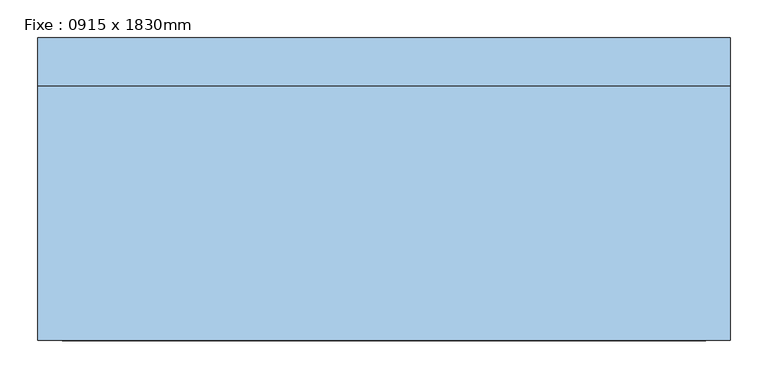
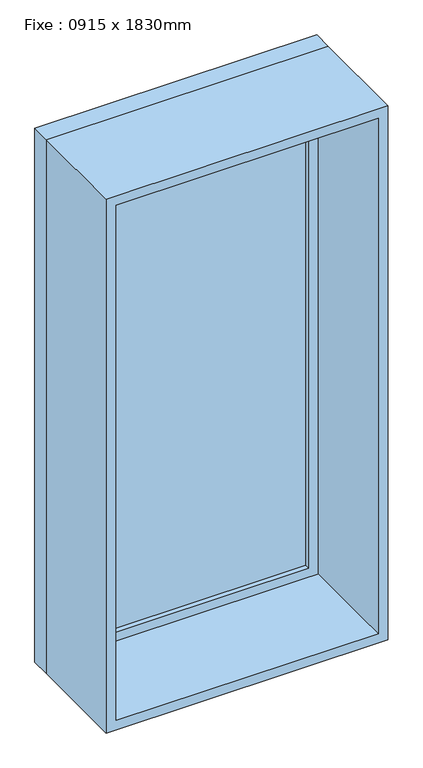
"""IFC4 building model written with IfcOpenShell, lengths in millimetres: window geometry, Fixe : 0915 x 1830mm."""

from ifc_helpers import new_model, si_unit, frame, origin, place, context, project, spatial, polyline, outline, extrude, source, transform, mapped, element, save


def fixe_0915_x_1830mm_45c8cfe9(model_context):
    return source(origin(), model_context, "Body", "SweptSolid", [
        extrude(outline(polyline([(-394.5, 178.0), (394.5, 178.0), (394.5, 166.0), (-394.5, 166.0), (-394.5, 178.0)])), frame((0.0, 0.0, 368.0), z_axis=(0.0, 0.0, 1.0), x_axis=(1.0, 0.0, 0.0)), (0.0, 0.0, 1.0), 1704.0),
        extrude(outline(polyline([(2116.0, -438.5), (324.0, -438.5), (324.0, 438.5), (2116.0, 438.5), (2116.0, -438.5)]), holes=[polyline([(2072.0, -394.5), (2072.0, 394.5), (368.0, 394.5), (368.0, -394.5), (2072.0, -394.5)])]), frame((0.0, 150.0, 0.0), z_axis=(0.0, 1.0, 0.0), x_axis=(0.0, 0.0, 1.0)), (0.0, 0.0, 1.0), 44.0),
        extrude(outline(polyline([(2135.0, -457.5), (305.0, -457.5), (305.0, 457.5), (2135.0, 457.5), (2135.0, -457.5)]), holes=[polyline([(2116.0, -438.5), (2116.0, 438.5), (324.0, 438.5), (324.0, -438.5), (2116.0, -438.5)])]), frame((0.0, 150.0, 0.0), z_axis=(0.0, 1.0, 0.0), x_axis=(0.0, 0.0, 1.0)), (0.0, 0.0, 1.0), 63.0),
        extrude(outline(polyline([(2135.0, -457.5), (305.0, -457.5), (305.0, 457.5), (2135.0, 457.5), (2135.0, -457.5)]), holes=[polyline([(2103.0, -425.5), (2103.0, 425.5), (337.0, 425.5), (337.0, -425.5), (2103.0, -425.5)])]), frame((0.0, -187.0, 0.0), z_axis=(0.0, 1.0, 0.0), x_axis=(0.0, 0.0, 1.0)), (0.0, 0.0, 1.0), 337.0),
    ])


if __name__ == "__main__":
    model = new_model("IFC4")
    model_context = context("Model", 3, world=origin())
    ifc_project = project(units=[si_unit("LENGTHUNIT", "METRE", prefix="MILLI")], contexts=[model_context])
    site = spatial("IfcSite", under=ifc_project)
    building = spatial("IfcBuilding", under=site)
    placement = place(None, origin())
    fixe_0915_x_1830mm_shape = fixe_0915_x_1830mm_45c8cfe9(model_context)
    element("IfcWindow", 1, ObjectType="Fixe : 0915 x 1830mm", at=placement, inside=building, context=model_context, shape_type="MappedRepresentation", body=[
        mapped(fixe_0915_x_1830mm_shape, transform((0.0, 0.0, 0.0), x_axis=(1.0, 0.0, 0.0), y_axis=(0.0, 1.0, 0.0), z_axis=(0.0, 0.0, 1.0))),
    ])
    save(model, "model.ifc")
